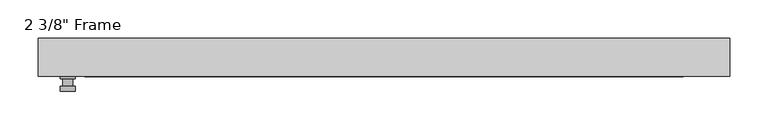
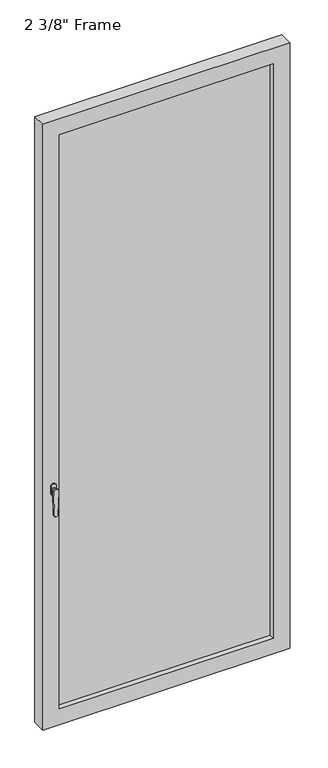
"""IFC4 building model written with IfcOpenShell, lengths in millimetres: plate geometry."""

from ifc_helpers import new_model, si_unit, frame, origin, place, context, project, spatial, polyline, circle_curve, outline, extrude, faceted_brep, source, transform, mapped, element, save
from ifc_brep_helpers import plane_surface, cylinder_surface, advanced_brep


def plate_330c299d(model_context):
    return source(origin(), model_context, "Body", "SolidModel", [
        advanced_brep(
        [(-401.6375, -24.60625, 927.1), (-401.6375, -24.60625, 901.7), (-420.6875, -24.60625, 901.7), (-420.6875, -24.60625, 927.1), (-404.8125, -37.30625, 914.4), (-417.5125, -37.30625, 914.4), (-417.5125, -27.78125, 914.4), (-404.8125, -27.78125, 914.4), (-401.6375, -37.30625, 914.4), (-404.8165356, -37.30625, 825.2736467), (-417.5084644, -37.30625, 825.2736467), (-420.6875, -37.30625, 914.4), (-401.6375, -43.65625, 914.4), (-420.6875, -43.65625, 914.4), (-417.5084644, -43.65625, 825.2736467), (-404.8165356, -43.65625, 825.2736467), (-401.6375, -27.78125, 927.1), (-420.6875, -27.78125, 927.1), (-420.6875, -27.78125, 901.7), (-401.6375, -27.78125, 901.7)],
        [
            (0, 1),
            (1, 2, circle_curve(frame((-411.1625, -24.60625, 901.7), z_axis=(0.0, 1.0, 0.0), x_axis=(-1.0, 0.0, 0.0)), 9.525)),
            (2, 3),
            (3, 0, circle_curve(frame((-411.1625, -24.60625, 927.1), z_axis=(0.0, 1.0, 0.0), x_axis=(-1.0, 0.0, 0.0)), 9.525)),
            (4, 5, circle_curve(frame((-411.1625, -37.30625, 914.4), z_axis=(0.0, 1.0, 0.0), x_axis=(-1.0, 0.0, 0.0)), 6.35)),
            (5, 6),
            (6, 7, circle_curve(frame((-411.1625, -27.78125, 914.4), z_axis=(0.0, -1.0, 0.0), x_axis=(-1.0, 0.0, 0.0)), 6.35)),
            (7, 4),
            (5, 4, circle_curve(frame((-411.1625, -37.30625, 914.4), z_axis=(0.0, 1.0, 0.0), x_axis=(-1.0, 0.0, 0.0)), 6.35)),
            (7, 6, circle_curve(frame((-411.1625, -27.78125, 914.4), z_axis=(0.0, -1.0, 0.0), x_axis=(-1.0, 0.0, 0.0)), 6.35)),
            (8, 9),
            (9, 10, circle_curve(frame((-411.1625, -37.30625, 825.5), z_axis=(0.0, 1.0, 0.0), x_axis=(-1.0, 0.0, 0.0)), 6.35)),
            (10, 11),
            (11, 8, circle_curve(frame((-411.1625, -37.30625, 914.4), z_axis=(0.0, 1.0, 0.0), x_axis=(-1.0, 0.0, 0.0)), 9.525)),
            (12, 13, circle_curve(frame((-411.1625, -43.65625, 914.4), z_axis=(0.0, -1.0, 0.0), x_axis=(-1.0, 0.0, 0.0)), 9.525)),
            (13, 14),
            (14, 15, circle_curve(frame((-411.1625, -43.65625, 825.5), z_axis=(0.0, -1.0, 0.0), x_axis=(-1.0, 0.0, 0.0)), 6.35)),
            (15, 12),
            (8, 12),
            (15, 9),
            (14, 10),
            (13, 11),
            (16, 17, circle_curve(frame((-411.1625, -27.78125, 927.1), z_axis=(0.0, -1.0, 0.0), x_axis=(-1.0, 0.0, 0.0)), 9.525)),
            (17, 18),
            (18, 19, circle_curve(frame((-411.1625, -27.78125, 901.7), z_axis=(0.0, -1.0, 0.0), x_axis=(-1.0, 0.0, 0.0)), 9.525)),
            (19, 16),
            (0, 16),
            (19, 1),
            (18, 2),
            (17, 3),
        ],
        [
            plane_surface(frame((-417.5125, -24.60625, 914.4), z_axis=(0.0, 1.0, 0.0), x_axis=(0.0, 0.0, 1.0))),
            cylinder_surface(frame((-411.1625, -37.30625, 914.4), z_axis=(0.0, 1.0, 0.0), x_axis=(-1.0, 0.0, 0.0)), 6.35),
            plane_surface(frame((-401.6375, -37.30625, 914.4), z_axis=(0.0, 1.0000000000000002, 0.0), x_axis=(-0.03564619348186888, 0.0, -0.9993644724975235))),
            plane_surface(frame((-401.6375, -43.65625, 914.4), z_axis=(0.0, -1.0000000000000002, 0.0), x_axis=(0.03564619348186888, 0.0, 0.9993644724975235))),
            plane_surface(frame((-401.6375, -37.30625, 914.4), z_axis=(0.9993644724975235, 0.0, -0.03564619348186888), x_axis=(0.0, -1.0, 0.0))),
            cylinder_surface(frame((-411.1625, -43.65625, 825.5), z_axis=(0.0, 1.0, 0.0), x_axis=(-1.0, 0.0, 0.0)), 6.35),
            plane_surface(frame((-417.5084644, -37.30625, 825.2736467), z_axis=(-0.9993644724975228, 0.0, -0.03564619348188612), x_axis=(0.0, -1.0, 0.0))),
            cylinder_surface(frame((-411.1625, -43.65625, 914.4), z_axis=(0.0, 1.0, 0.0), x_axis=(-1.0, 0.0, 0.0)), 9.525),
            plane_surface(frame((-401.6375, -27.78125, 901.7), z_axis=(0.0, -1.0, 0.0), x_axis=(0.0, 0.0, 1.0))),
            plane_surface(frame((-401.6375, -24.60625, 927.1), z_axis=(1.0, 0.0, 0.0), x_axis=(0.0, -1.0, 0.0))),
            cylinder_surface(frame((-411.1625, -27.78125, 901.7), z_axis=(0.0, 1.0, 0.0), x_axis=(-1.0, 0.0, 0.0)), 9.525),
            plane_surface(frame((-420.6875, -24.60625, 901.7), z_axis=(-1.0, 0.0, 0.0), x_axis=(0.0, -1.0, 0.0))),
            cylinder_surface(frame((-411.1625, -27.78125, 927.1), z_axis=(0.0, 1.0, 0.0), x_axis=(-1.0, 0.0, 0.0)), 9.525),
        ],
        [
            (0, [[1, 2, 3, 4]]),
            (1, [[5, 6, 7, 8]]),
            (1, [[9, -8, 10, -6]]),
            (2, [[11, 12, 13, 14], [-5, -9]]),
            (3, [[15, 16, 17, 18]]),
            (4, [[-11, 19, -18, 20]]),
            (5, [[-12, -20, -17, 21]]),
            (6, [[-13, -21, -16, 22]]),
            (7, [[-14, -22, -15, -19]]),
            (8, [[23, 24, 25, 26], [-7, -10]]),
            (9, [[-1, 27, -26, 28]]),
            (10, [[-2, -28, -25, 29]]),
            (11, [[-3, -29, -24, 30]]),
            (12, [[-4, -30, -23, -27]]),
        ],
    ),
        faceted_brep([(-449.2625, -24.60625, 0.0), (-449.2625, 24.60625, 0.0), (449.2625, 24.60625, 0.0), (449.2625, -24.60625, 0.0), (-388.9375, 24.60625, 2270.125), (-388.9375, 18.25625, 2270.125), (-388.9375, 18.25625, 60.325), (-388.9375, 24.60625, 60.325), (401.6375, 18.25625, 2282.825), (-401.6375, 18.25625, 2282.825), (-401.6375, 18.25625, 47.625), (401.6375, 18.25625, 47.625), (388.9375, 18.25625, 2270.125), (388.9375, 18.25625, 60.325), (-401.6375, -5.55625, 2282.825), (-401.6375, -5.55625, 47.625), (401.6375, -5.55625, 2282.825), (401.6375, -5.55625, 47.625), (-388.9375, -5.55625, 2270.125), (-388.9375, -5.55625, 60.325), (388.9375, -5.55625, 60.325), (388.9375, -5.55625, 2270.125), (-388.9375, -24.60625, 2270.125), (-388.9375, -24.60625, 60.325), (449.2625, -24.60625, 2330.45), (-449.2625, -24.60625, 2330.45), (388.9375, -24.60625, 2270.125), (388.9375, -24.60625, 60.325), (-449.2625, 24.60625, 2330.45), (449.2625, 24.60625, 2330.45), (388.9375, 24.60625, 60.325), (388.9375, 24.60625, 2270.125)], [[[0, 1, 2, 3]], [[4, 5, 6, 7]], [[8, 9, 10, 11], [5, 12, 13, 6]], [[10, 9, 14, 15]], [[14, 16, 17, 15], [18, 19, 20, 21]], [[18, 22, 23, 19]], [[0, 3, 24, 25], [22, 26, 27, 23]], [[1, 0, 25, 28]], [[2, 1, 28, 29], [4, 7, 30, 31]], [[5, 4, 31, 12]], [[9, 8, 16, 14]], [[18, 21, 26, 22]], [[25, 24, 29, 28]], [[12, 31, 30, 13]], [[17, 16, 8, 11]], [[26, 21, 20, 27]], [[24, 3, 2, 29]], [[23, 27, 20, 19]], [[11, 10, 15, 17]], [[6, 13, 30, 7]]]),
        extrude(outline(polyline([(401.6375, -5.55625), (-401.6375, -5.55625), (-401.6375, 18.25625), (401.6375, 18.25625), (401.6375, -5.55625)])), frame((0.0, 0.0, 47.625), z_axis=(0.0, 0.0, 1.0), x_axis=(1.0, 0.0, 0.0)), (0.0, 0.0, 1.0), 2235.2),
    ])


if __name__ == "__main__":
    model = new_model("IFC4")
    model_context = context("Model", 3, world=origin())
    ifc_project = project(units=[si_unit("LENGTHUNIT", "METRE", prefix="MILLI")], contexts=[model_context])
    site = spatial("IfcSite", under=ifc_project)
    building = spatial("IfcBuilding", under=site)
    placement = place(None, origin())
    plate_shape = plate_330c299d(model_context)
    element("IfcPlate", 1, ObjectType="2 3/8\" Frame", at=placement, inside=building, context=model_context, shape_type="MappedRepresentation", body=[
        mapped(plate_shape, transform((0.0, 0.0, 0.0), x_axis=(1.0, 0.0, 0.0), y_axis=(0.0, 1.0, 0.0), z_axis=(0.0, 0.0, 1.0))),
    ])
    save(model, "model.ifc")
